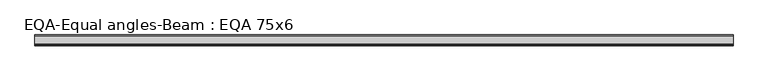
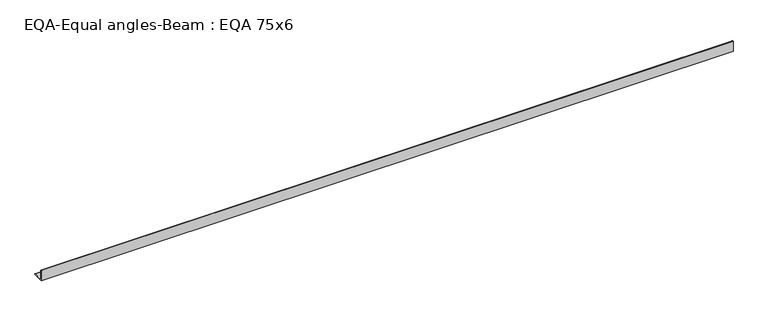
"""IFC4 building model written with IfcOpenShell, lengths in millimetres: beam geometry, EQA-Equal angles-Beam : EQA 75x6."""

import ifcopenshell
import ifcopenshell.guid

model = None  # the IFC model being written
_history = None  # IfcOwnerHistory: only IFC2X3 demands one
_inside = {}  # id of a spatial element -> (the spatial element, [elements in it])
_under = {}  # id of a project, library or spatial element -> (it, [spatial elements below it])
_declared = {}  # id of a project -> (the project, [libraries it declares])
_typed = {}  # id of a type object -> (the type object, [elements of that type])
_made_of = {}  # id of a material, layer set ... -> (it, [elements and type objects made of it])


def new_model(schema):
    """Start an empty IFC model of exactly this schema.

    Asked for "IFC4X3", IfcOpenShell would pick the latest addendum, in which some entities
    have other attributes; the version numbers below select the first issue.
    IFC2X3 requires an IfcOwnerHistory on every rooted entity: one is made here for all.
    """
    global model, _history
    if schema == "IFC4X3":
        model = ifcopenshell.file(schema_version=(4, 3, 0, 0))
    else:
        model = ifcopenshell.file(schema=schema)
    _inside.clear()
    _under.clear()
    _declared.clear()
    _typed.clear()
    _made_of.clear()
    _history = None
    if model.schema == "IFC2X3":
        org = make("IfcOrganization", Name="unknown")
        user = make(
            "IfcPersonAndOrganization",
            ThePerson=make("IfcPerson", FamilyName="unknown"),
            TheOrganization=org,
        )
        app = make(
            "IfcApplication",
            ApplicationDeveloper=org,
            Version="unknown",
            ApplicationFullName="unknown",
            ApplicationIdentifier="unknown",
        )
        _history = make(
            "IfcOwnerHistory",
            OwningUser=user,
            OwningApplication=app,
            ChangeAction="ADDED",
            CreationDate=0,
        )
    return model


def make(cls, **values):
    """One entity of the class cls with the attributes given. An attribute that is None is left unset."""
    return model.create_entity(
        cls, **{name: value for name, value in values.items() if value is not None}
    )


def rooted(cls, **values):
    """An entity with a GlobalId (a new one), such as an element, a storey or a relation."""
    return make(cls, GlobalId=ifcopenshell.guid.new(), OwnerHistory=_history, **values)


def si_unit(unit_type, name, prefix=None):
    """IfcSIUnit, for example si_unit("LENGTHUNIT", "METRE", prefix="MILLI")."""
    return make("IfcSIUnit", UnitType=unit_type, Prefix=prefix, Name=name)


def assignment(units):
    """IfcUnitAssignment: the units of a project."""
    return None if units is None else make("IfcUnitAssignment", Units=units)


def point(xyz):
    """IfcCartesianPoint."""
    return None if xyz is None else make("IfcCartesianPoint", Coordinates=xyz)


def direction(xyz):
    """IfcDirection."""
    return None if xyz is None else make("IfcDirection", DirectionRatios=xyz)


def frame(location, z_axis=None, x_axis=None):
    """IfcAxis2Placement3D, a coordinate frame: its origin and axes. An axis left out is left unset."""
    return make(
        "IfcAxis2Placement3D",
        Location=point(location),
        Axis=direction(z_axis),
        RefDirection=direction(x_axis),
    )


def frame_2d(location, x_axis=None):
    """IfcAxis2Placement2D, a coordinate frame in the plane: its origin and x axis."""
    return make(
        "IfcAxis2Placement2D", Location=point(location), RefDirection=direction(x_axis)
    )


def origin():
    """The frame at (0, 0, 0) with its axes left unset."""
    return frame((0.0, 0.0, 0.0))


def place(relative_to, where):
    """IfcLocalPlacement: puts the frame where relative to a parent placement (None: the world)."""
    return make(
        "IfcLocalPlacement", PlacementRelTo=relative_to, RelativePlacement=where
    )


def context(
    kind, dimensions, precision=None, world=None, true_north=None, identifier=None
):
    """IfcGeometricRepresentationContext, for example the 3D "Model" context."""
    return make(
        "IfcGeometricRepresentationContext",
        ContextIdentifier=identifier,
        ContextType=kind,
        CoordinateSpaceDimension=dimensions,
        Precision=precision,
        WorldCoordinateSystem=world,
        TrueNorth=true_north,
    )


def project(units=None, contexts=None):
    """IfcProject with its units and contexts."""
    return rooted(
        "IfcProject",
        Name="project",
        RepresentationContexts=contexts,
        UnitsInContext=assignment(units),
    )


def spatial(cls, under=None, at=None, **own):
    """A site, building, storey or space (cls), placed at a placement, below another one or the project."""
    s = rooted(cls, ObjectPlacement=at, **own)
    if under is not None:
        _under.setdefault(under.id(), (under, []))[1].append(s)
    return s


def polyline(points):
    """IfcPolyline through the points."""
    return make("IfcPolyline", Points=[point(p) for p in points])


def circle_curve(where, radius):
    """IfcCircle in the frame where."""
    return make("IfcCircle", Position=where, Radius=radius)


def trimmed(basis, trim1, trim2, sense, master):
    """IfcTrimmedCurve: the piece of a basis curve between two trims."""
    return make(
        "IfcTrimmedCurve",
        BasisCurve=basis,
        Trim1=trim1,
        Trim2=trim2,
        SenseAgreement=sense,
        MasterRepresentation=master,
    )


def segment(curve, same_sense, transition):
    """IfcCompositeCurveSegment."""
    return make(
        "IfcCompositeCurveSegment",
        Transition=transition,
        SameSense=same_sense,
        ParentCurve=curve,
    )


def composite_curve(segments, self_intersect=None):
    """IfcCompositeCurve: segments joined end to end."""
    return make("IfcCompositeCurve", Segments=segments, SelfIntersect=self_intersect)


def outline(outer, holes=None, kind="AREA"):
    """IfcArbitraryClosedProfileDef: a profile drawn as a closed curve; with holes, ...WithVoids."""
    if holes is None:
        return make("IfcArbitraryClosedProfileDef", ProfileType=kind, OuterCurve=outer)
    return make(
        "IfcArbitraryProfileDefWithVoids",
        ProfileType=kind,
        OuterCurve=outer,
        InnerCurves=holes,
    )


def extrude(swept, where, along, depth):
    """IfcExtrudedAreaSolid: the profile swept, set in the frame where, extruded along a direction by depth."""
    return make(
        "IfcExtrudedAreaSolid",
        SweptArea=swept,
        Position=where,
        ExtrudedDirection=direction(along),
        Depth=depth,
    )


def shape(context_of_items, identifier, shape_type, items):
    """IfcShapeRepresentation: the items that make up one representation, for example the "Body"."""
    return make(
        "IfcShapeRepresentation",
        ContextOfItems=context_of_items,
        RepresentationIdentifier=identifier,
        RepresentationType=shape_type,
        Items=items,
    )


def source(mapping_origin, context_of_items, identifier, shape_type, items):
    """IfcRepresentationMap: a shape defined once, which mapped items show again and again."""
    return make(
        "IfcRepresentationMap",
        MappingOrigin=mapping_origin,
        MappedRepresentation=shape(context_of_items, identifier, shape_type, items),
    )


def transform(
    local_origin,
    x_axis=None,
    y_axis=None,
    z_axis=None,
    scale=None,
    scale2=None,
    scale3=None,
    uniform=True,
):
    """IfcCartesianTransformationOperator3D, or its non-uniform kind. x_axis, y_axis, z_axis: its Axis1, 2, 3."""
    if uniform:
        return make(
            "IfcCartesianTransformationOperator3D",
            Axis1=direction(x_axis),
            Axis2=direction(y_axis),
            LocalOrigin=point(local_origin),
            Scale=scale,
            Axis3=direction(z_axis),
        )
    return make(
        "IfcCartesianTransformationOperator3DnonUniform",
        Axis1=direction(x_axis),
        Axis2=direction(y_axis),
        LocalOrigin=point(local_origin),
        Scale=scale,
        Axis3=direction(z_axis),
        Scale2=scale2,
        Scale3=scale3,
    )


def mapped(mapping_source, mapping_target):
    """IfcMappedItem: shows the shape of a source again, moved by a transform."""
    return make(
        "IfcMappedItem", MappingSource=mapping_source, MappingTarget=mapping_target
    )


def made_of(thing, what):
    """Note that an element or type object is made of a material, layer set ...; save() writes the relation."""
    if what is not None:
        _made_of.setdefault(what.id(), (what, []))[1].append(thing)
    return thing


def element(
    cls,
    number,
    at=None,
    inside=None,
    cuts=None,
    type_object=None,
    material=None,
    context=None,
    identifier="Body",
    shape_type=None,
    held_by="IfcProductDefinitionShape",
    body=None,
    shapes=None,
    **own,
):
    """One element of the class cls, such as IfcWall. Its Tag is "e" and its number.

    at: its placement. inside: the storey or other place that contains it. cuts: it is an
    opening in that element (IfcRelVoidsElement). A single representation is given by context,
    identifier, shape_type and body (its items); several are given by shapes. held_by: the class
    of the entity that holds the representations. save() writes the other relations.
    """
    e = rooted(cls, Tag="e%d" % number, ObjectPlacement=at, **own)
    if body is not None:
        shapes = [shape(context, identifier, shape_type, body)]
    if shapes is not None:
        e.Representation = make(held_by, Representations=shapes)
    if inside is not None:
        _inside.setdefault(inside.id(), (inside, []))[1].append(e)
    if cuts is not None:
        rooted(
            "IfcRelVoidsElement", RelatingBuildingElement=cuts, RelatedOpeningElement=e
        )
    if type_object is not None:
        _typed.setdefault(type_object.id(), (type_object, []))[1].append(e)
    return made_of(e, material)


def aggregate(whole, parts):
    """IfcRelAggregates: a whole, such as a stair, and the parts it consists of."""
    return rooted("IfcRelAggregates", RelatingObject=whole, RelatedObjects=parts)


def save(model, path):
    """Write the relations noted so far, then the file.

    IfcRelAggregates (storeys below a building ...), IfcRelContainedInSpatialStructure (elements
    in a storey), IfcRelDefinesByType, IfcRelAssociatesMaterial and IfcRelDeclares: one each for
    every whole, place, type object, material and project.
    """
    for whole, parts in _under.values():
        aggregate(whole, parts)
    for where, things in _inside.values():
        rooted(
            "IfcRelContainedInSpatialStructure",
            RelatedElements=things,
            RelatingStructure=where,
        )
    for kind, things in _typed.values():
        rooted("IfcRelDefinesByType", RelatedObjects=things, RelatingType=kind)
    for what, things in _made_of.values():
        rooted("IfcRelAssociatesMaterial", RelatedObjects=things, RelatingMaterial=what)
    for by, libraries in _declared.values():
        rooted("IfcRelDeclares", RelatingContext=by, RelatedDefinitions=libraries)
    model.write(path)


def eqa_equal_angles_beam_eqa_75x6_1153b806(model_context):
    return source(origin(), model_context, "Body", "SweptSolid", [
        extrude(outline(composite_curve([segment(polyline([(-20.5, -20.5), (-20.5, 54.5), (-19.0, 54.5)]), True, "CONTINUOUS"), segment(trimmed(circle_curve(frame_2d((-19.0, 50.0)), 4.5), [point((-19.0, 54.5))], [point((-14.5, 50.0))], False, "CARTESIAN"), True, "CONTINUOUS"), segment(polyline([(-14.5, 50.0), (-14.5, -5.5)]), True, "CONTINUOUS"), segment(trimmed(circle_curve(frame_2d((-5.5, -5.5)), 9.0), [point((-14.5, -5.5))], [point((-5.5, -14.5))], True, "CARTESIAN"), True, "CONTINUOUS"), segment(polyline([(-5.5, -14.5), (50.0, -14.5)]), True, "CONTINUOUS"), segment(trimmed(circle_curve(frame_2d((50.0, -19.0)), 4.5), [point((50.0, -14.5))], [point((54.5, -19.0))], False, "CARTESIAN"), True, "CONTINUOUS"), segment(polyline([(54.5, -19.0), (54.5, -20.5), (-20.5, -20.5)]), True, "CONTINUOUS")], self_intersect=False)), frame((-2385.2033342, 0.0, 0.0), z_axis=(1.0, 0.0, 0.0), x_axis=(0.0, 1.0, 0.0)), (0.0, 0.0, 1.0), 4760.8460579),
    ])


if __name__ == "__main__":
    model = new_model("IFC4")
    model_context = context("Model", 3, world=origin())
    ifc_project = project(units=[si_unit("LENGTHUNIT", "METRE", prefix="MILLI")], contexts=[model_context])
    site = spatial("IfcSite", under=ifc_project)
    building = spatial("IfcBuilding", under=site)
    placement = place(None, origin())
    eqa_equal_angles_beam_eqa_75x6_shape = eqa_equal_angles_beam_eqa_75x6_1153b806(model_context)
    element("IfcBeam", 1, ObjectType="EQA-Equal angles-Beam : EQA 75x6", at=placement, inside=building, context=model_context, shape_type="MappedRepresentation", body=[
        mapped(eqa_equal_angles_beam_eqa_75x6_shape, transform((0.0, 0.0, 0.0), x_axis=(1.0, 0.0, 0.0), y_axis=(0.0, 1.0, 0.0), z_axis=(0.0, 0.0, 1.0))),
    ])
    save(model, "model.ifc")
